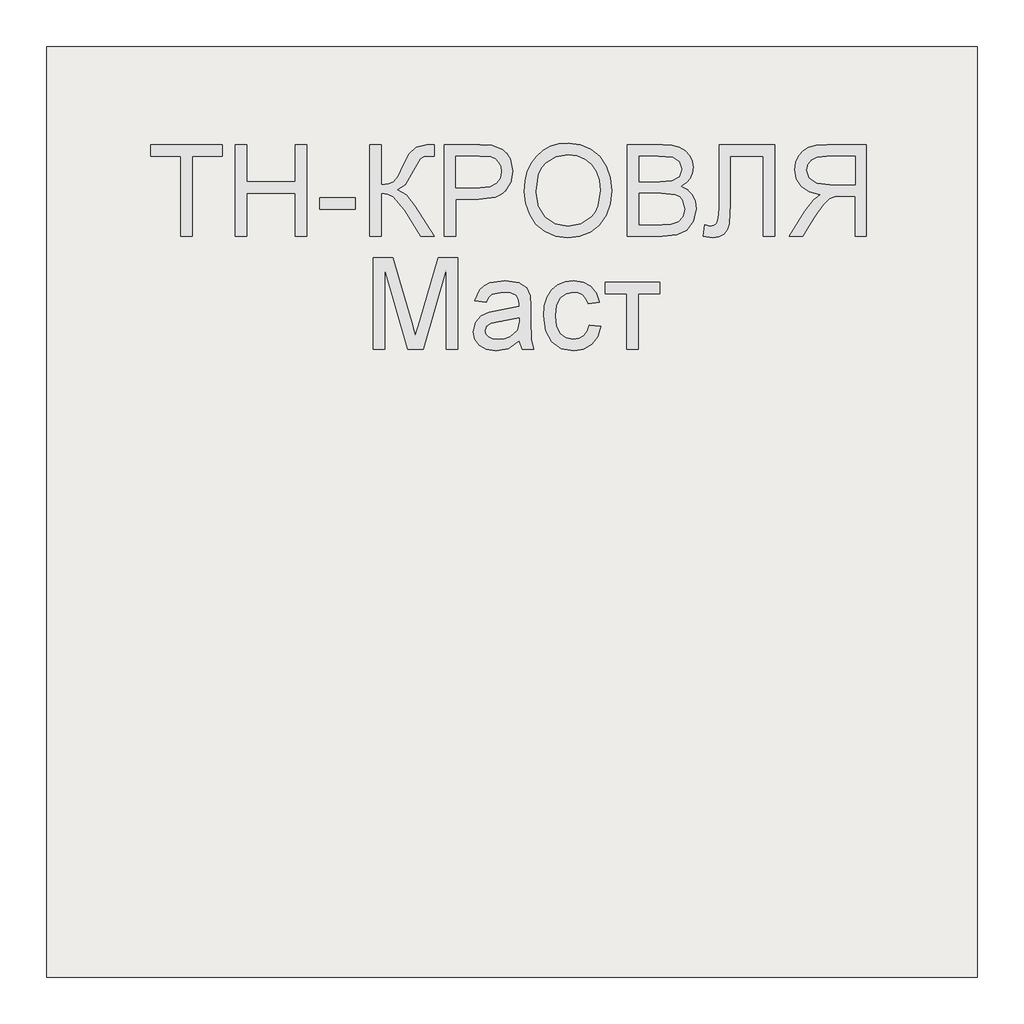
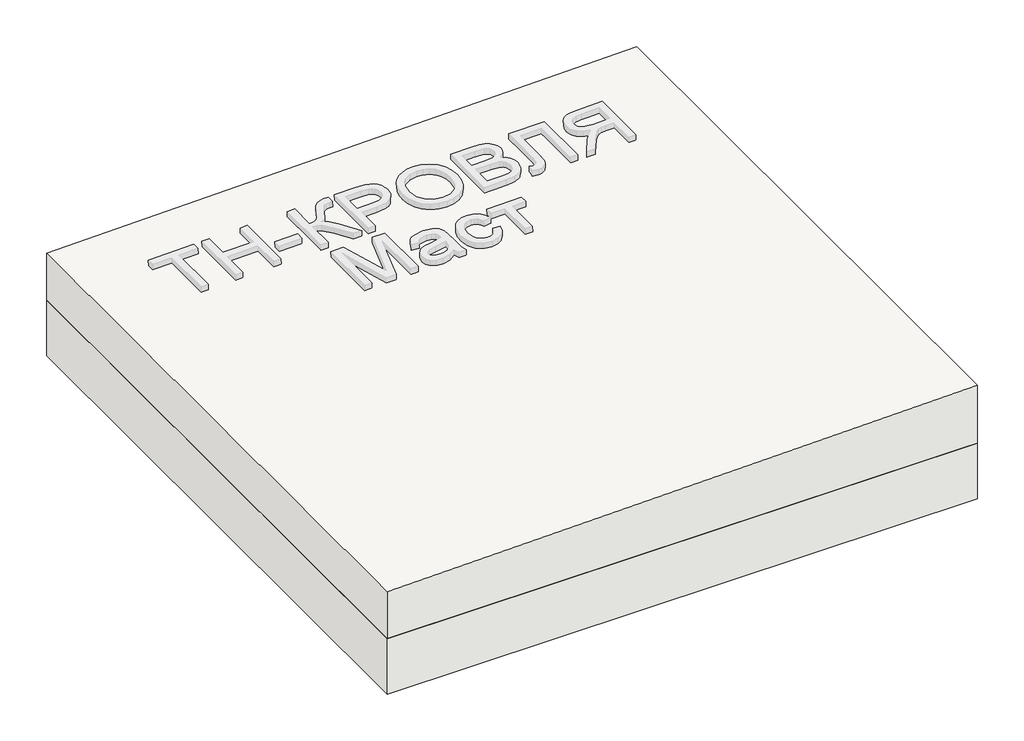
# One storey, part 1 of 3: 1 roof, 1 slab.
"""IFC4 building model written with IfcOpenShell, lengths in millimetres."""

from ifc_helpers import new_model, si_unit, frame, origin, place, context, project, spatial, polyline, outline, extrude, element, save

model = new_model("IFC4")

# Units and contexts
model_context = context("Model", 3, world=origin())
ifc_project = project(units=[si_unit("LENGTHUNIT", "METRE", prefix="MILLI")], contexts=[model_context])

# Site, building, storey
site = spatial("IfcSite", under=ifc_project)
building = spatial("IfcBuilding", under=site)
storey = spatial("IfcBuildingStorey", under=building, Elevation=0.0)

# Roof
placement = place(None, origin())
element("IfcRoof", 1, at=placement, inside=storey, context=model_context, shape_type="SweptSolid", body=[
    extrude(outline(polyline([(168.0, 39706.3955952), (0.0, 39706.3955952), (0.0, 41706.3955952), (208.0, 41706.3955952), (168.0, 39706.3955952)])), frame((0.0, -6302.6148653, 0.0), z_axis=(0.0, 1.0, 0.0), x_axis=(0.0, 0.0, 1.0)), (0.0, 0.0, 1.0), 2000.0),
])

# Slab
element("IfcSlab", 2, at=placement, inside=storey, context=model_context, shape_type="SweptSolid", body=[
    extrude(outline(polyline([(41706.3955952, -6302.6148653), (39706.3955952, -6302.6148653), (39706.3955952, -4302.6148653), (41706.3955952, -4302.6148653), (41706.3955952, -6302.6148653)])), frame((0.0, 0.0, -200.0), z_axis=(0.0, 0.0, 1.0), x_axis=(1.0, 0.0, 0.0)), (0.0, 0.0, 1.0), 200.0),
])

save(model, "model.ifc")
